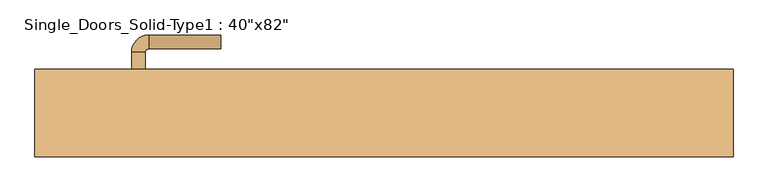
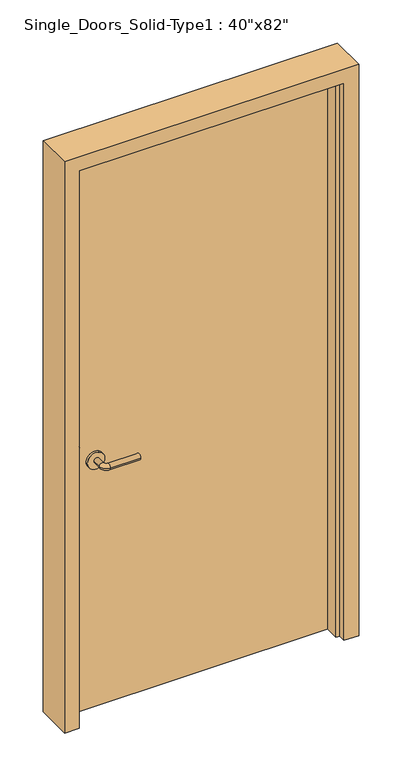
"""IFC4 building model written with IfcOpenShell, lengths in millimetres: door geometry."""

from ifc_helpers import new_model, si_unit, point, frame, frame_2d, origin, origin_with_axes, place, context, project, spatial, polyline, circle_curve, ellipse_curve, trimmed, segment, composite_curve, outline, extrude, faceted_brep, source, transform, mapped, element, save
from ifc_brep_helpers import plane_surface, cylinder_surface, revolved_surface, advanced_brep


def door_6cc3c6fc(model_context):
    return source(origin(), model_context, "Body", "SolidModel", [
        advanced_brep(
        [(-367.2, 4.7, 900.0), (-347.2, 4.7, 900.0), (-347.2, -25.3, 900.0), (-367.2, -25.3, 900.0), (-342.2, -30.3, 900.0), (-342.2, -50.3, 900.0), (-237.2, -50.3, 900.0), (-237.2, -30.3, 900.0)],
        [
            (0, 1, circle_curve(frame((-357.2, 4.7, 900.0), z_axis=(0.0, 1.0, 0.0), x_axis=(1.0, 0.0, 0.0)), 10.0)),
            (1, 0, circle_curve(frame((-357.2, 4.7, 900.0), z_axis=(0.0, 1.0, 0.0), x_axis=(1.0, 0.0, 0.0)), 10.0)),
            (1, 2),
            (2, 3, circle_curve(frame((-357.2, -25.3, 900.0), z_axis=(0.0, 1.0, 0.0), x_axis=(1.0, 0.0, 0.0)), 10.0)),
            (3, 0),
            (3, 2, circle_curve(frame((-357.2, -25.3, 900.0), z_axis=(0.0, 1.0, 0.0), x_axis=(1.0, 0.0, 0.0)), 10.0)),
            (4, 5, circle_curve(frame((-342.2, -40.3, 900.0), z_axis=(-1.0, 0.0, 0.0), x_axis=(0.0, 1.0, 0.0)), 10.0)),
            (5, 3, circle_curve(frame((-342.2, -25.3, 900.0), z_axis=(0.0, 0.0, -1.0), x_axis=(-1.0, 0.0, 0.0)), 25.0)),
            (2, 4, circle_curve(frame((-342.2, -25.3, 900.0), z_axis=(0.0, 0.0, 1.0), x_axis=(-1.0, 0.0, 0.0)), 5.0)),
            (5, 4, circle_curve(frame((-342.2, -40.3, 900.0), z_axis=(-1.0, 0.0, 0.0), x_axis=(0.0, 1.0, 0.0)), 10.0)),
            (6, 7, circle_curve(frame((-237.2, -40.3, 900.0), z_axis=(1.0, 0.0, 0.0), x_axis=(0.0, 1.0, 0.0)), 10.0)),
            (7, 6, circle_curve(frame((-237.2, -40.3, 900.0), z_axis=(1.0, 0.0, 0.0), x_axis=(0.0, 1.0, 0.0)), 10.0)),
            (4, 7),
            (6, 5),
        ],
        [
            plane_surface(frame((-357.2, 4.7, 900.0), z_axis=(0.0, 1.0, 0.0), x_axis=(0.0, 0.0, 1.0))),
            cylinder_surface(frame((-357.2, 4.7, 900.0), z_axis=(0.0, 1.0, 0.0), x_axis=(1.0, 0.0, 0.0)), 10.0),
            revolved_surface(trimmed(ellipse_curve(frame((-357.2, -25.3, 900.0), z_axis=(0.0, -1.0, 0.0), x_axis=(1.0, 0.0, 0.0)), 10.0, 10.0), [point((-367.2, -25.3, 900.0))], [point((-347.2, -25.3, 900.0))], True, "CARTESIAN"), (-342.2, -25.3, 900.0), (0.0, 0.0, -1.0)),
            revolved_surface(trimmed(ellipse_curve(frame((-357.2, -25.3, 900.0), z_axis=(0.0, -1.0, 0.0), x_axis=(1.0, 0.0, 0.0)), 10.0, 10.0), [point((-347.2, -25.3, 900.0))], [point((-367.2, -25.3, 900.0))], True, "CARTESIAN"), (-342.2, -25.3, 900.0), (0.0, 0.0, -1.0)),
            plane_surface(frame((-237.2, -40.3, 900.0), z_axis=(1.0, 0.0, 0.0), x_axis=(0.0, 0.0, 1.0))),
            cylinder_surface(frame((-342.2, -40.3, 900.0), z_axis=(-1.0, 0.0, 0.0), x_axis=(0.0, 1.0, 0.0)), 10.0),
        ],
        [
            (0, [[1, 2]]),
            (1, [[3, 4, 5, -2]]),
            (1, [[-5, 6, -3, -1]]),
            (2, [[7, 8, -4, 9]]),
            (3, [[10, -9, -6, -8]]),
            (4, [[11, 12]]),
            (5, [[13, -11, 14, -7]]),
            (5, [[-14, -12, -13, -10]]),
        ],
    ),
        extrude(outline(composite_curve([segment(trimmed(circle_curve(frame_2d((900.0, -359.7)), 30.0), [point((900.0, -389.7))], [point((900.0, -329.7))], False, "CARTESIAN"), True, "CONTINUOUS"), segment(trimmed(circle_curve(frame_2d((900.0, -359.7)), 30.0), [point((900.0, -329.7))], [point((900.0, -389.7))], False, "CARTESIAN"), True, "CONTINUOUS")], self_intersect=False)), frame((0.0, 4.7, 0.0), z_axis=(0.0, 1.0, 0.0), x_axis=(0.0, 0.0, 1.0)), (0.0, 0.0, 1.0), 8.0),
        advanced_brep(
        [(-367.2, 58.8, 900.0), (-347.2, 58.8, 900.0), (-367.2, 88.8, 900.0), (-347.2, 88.8, 900.0), (-342.2, 93.8, 900.0), (-342.2, 113.8, 900.0), (-237.2, 113.8, 900.0), (-237.2, 93.8, 900.0)],
        [
            (0, 1, circle_curve(frame((-357.2, 58.8, 900.0), z_axis=(0.0, -1.0, 0.0), x_axis=(1.0, 0.0, 0.0)), 10.0)),
            (1, 0, circle_curve(frame((-357.2, 58.8, 900.0), z_axis=(0.0, -1.0, 0.0), x_axis=(1.0, 0.0, 0.0)), 10.0)),
            (0, 2),
            (2, 3, circle_curve(frame((-357.2, 88.8, 900.0), z_axis=(0.0, -1.0, 0.0), x_axis=(1.0, 0.0, 0.0)), 10.0)),
            (3, 1),
            (3, 2, circle_curve(frame((-357.2, 88.8, 900.0), z_axis=(0.0, -1.0, 0.0), x_axis=(1.0, 0.0, 0.0)), 10.0)),
            (4, 3, circle_curve(frame((-342.2, 88.8, 900.0), z_axis=(0.0, 0.0, 1.0), x_axis=(-1.0, 0.0, 0.0)), 5.0)),
            (2, 5, circle_curve(frame((-342.2, 88.8, 900.0), z_axis=(0.0, 0.0, -1.0), x_axis=(-1.0, 0.0, 0.0)), 25.0)),
            (5, 4, circle_curve(frame((-342.2, 103.8, 900.0), z_axis=(-1.0, 0.0, 0.0), x_axis=(0.0, -1.0, 0.0)), 10.0)),
            (4, 5, circle_curve(frame((-342.2, 103.8, 900.0), z_axis=(-1.0, 0.0, 0.0), x_axis=(0.0, -1.0, 0.0)), 10.0)),
            (6, 7, circle_curve(frame((-237.2, 103.8, 900.0), z_axis=(1.0, 0.0, 0.0), x_axis=(0.0, -1.0, 0.0)), 10.0)),
            (7, 6, circle_curve(frame((-237.2, 103.8, 900.0), z_axis=(1.0, 0.0, 0.0), x_axis=(0.0, -1.0, 0.0)), 10.0)),
            (5, 6),
            (7, 4),
        ],
        [
            plane_surface(frame((-357.2, 58.8, 900.0), z_axis=(0.0, -1.0, 0.0), x_axis=(0.0, 0.0, 1.0))),
            cylinder_surface(frame((-357.2, 58.8, 900.0), z_axis=(0.0, -1.0, 0.0), x_axis=(1.0, 0.0, 0.0)), 10.0),
            revolved_surface(trimmed(ellipse_curve(frame((-357.2, 88.8, 900.0), z_axis=(0.0, -1.0, 0.0), x_axis=(1.0, 0.0, 0.0)), 10.0, 10.0), [point((-367.2, 88.8, 900.0))], [point((-347.2, 88.8, 900.0))], True, "CARTESIAN"), (-342.2, 88.8, 900.0), (0.0, 0.0, -1.0)),
            revolved_surface(trimmed(ellipse_curve(frame((-357.2, 88.8, 900.0), z_axis=(0.0, -1.0, 0.0), x_axis=(1.0, 0.0, 0.0)), 10.0, 10.0), [point((-347.2, 88.8, 900.0))], [point((-367.2, 88.8, 900.0))], True, "CARTESIAN"), (-342.2, 88.8, 900.0), (0.0, 0.0, -1.0)),
            plane_surface(frame((-237.2, 103.8, 900.0), z_axis=(1.0, 0.0, 0.0), x_axis=(0.0, 0.0, 1.0))),
            cylinder_surface(frame((-342.2, 103.8, 900.0), z_axis=(-1.0, 0.0, 0.0), x_axis=(0.0, -1.0, 0.0)), 10.0),
        ],
        [
            (0, [[1, 2]]),
            (1, [[-1, 3, 4, 5]]),
            (1, [[-2, -5, 6, -3]]),
            (2, [[7, -4, 8, 9]]),
            (3, [[-8, -6, -7, 10]]),
            (4, [[11, 12]]),
            (5, [[-9, 13, -12, 14]]),
            (5, [[-10, -14, -11, -13]]),
        ],
    ),
        extrude(outline(composite_curve([segment(trimmed(circle_curve(frame_2d((900.0, -359.7)), 30.0), [point((900.0, -389.7))], [point((900.0, -329.7))], False, "CARTESIAN"), True, "CONTINUOUS"), segment(trimmed(circle_curve(frame_2d((900.0, -359.7)), 30.0), [point((900.0, -329.7))], [point((900.0, -389.7))], False, "CARTESIAN"), True, "CONTINUOUS")], self_intersect=False)), frame((0.0, 50.8, 0.0), z_axis=(0.0, 1.0, 0.0), x_axis=(0.0, 0.0, 1.0)), (0.0, 0.0, 1.0), 8.0),
        faceted_brep([(-508.0, -63.5, 0.0), (-508.0, 63.5, 0.0), (-457.2, 63.5, 0.0), (-457.2, 12.7, 0.0), (-444.5, 12.7, 0.0), (-444.5, -38.1, 0.0), (-457.2, -38.1, 0.0), (-457.2, -63.5, 0.0), (-508.0, -63.5, 2082.8), (-508.0, 63.5, 2082.8), (508.0, 63.5, 2082.8), (508.0, 63.5, 0.0), (457.2, 63.5, 0.0), (457.2, 63.5, 2032.0), (-457.2, 63.5, 2032.0), (-457.2, 12.7, 2032.0), (457.2, 12.7, 2032.0), (457.2, 12.7, 0.0), (444.5, 12.7, 0.0), (444.5, 12.7, 2019.3), (-444.5, 12.7, 2019.3), (-444.5, -38.1, 2019.3), (444.5, -38.1, 2019.3), (444.5, -38.1, 0.0), (457.2, -38.1, 0.0), (457.2, -38.1, 2032.0), (-457.2, -38.1, 2032.0), (-457.2, -63.5, 2032.0), (457.2, -63.5, 2032.0), (457.2, -63.5, 0.0), (508.0, -63.5, 0.0), (508.0, -63.5, 2082.8)], [[[0, 1, 2, 3, 4, 5, 6, 7]], [[1, 0, 8, 9]], [[2, 1, 9, 10, 11, 12, 13, 14]], [[3, 2, 14, 15]], [[4, 3, 15, 16, 17, 18, 19, 20]], [[5, 4, 20, 21]], [[6, 5, 21, 22, 23, 24, 25, 26]], [[7, 6, 26, 27]], [[0, 7, 27, 28, 29, 30, 31, 8]], [[10, 31, 30, 11]], [[30, 29, 24, 23, 18, 17, 12, 11]], [[16, 13, 12, 17]], [[22, 19, 18, 23]], [[28, 25, 24, 29]], [[9, 8, 31, 10]], [[15, 14, 13, 16]], [[21, 20, 19, 22]], [[27, 26, 25, 28]]]),
        extrude(outline(polyline([(457.2, 12.7), (-457.2, 12.7), (-457.2, 50.8), (457.2, 50.8), (457.2, 12.7)])), origin_with_axes(), (0.0, 0.0, 1.0), 2032.0),
    ])


if __name__ == "__main__":
    model = new_model("IFC4")
    model_context = context("Model", 3, world=origin())
    ifc_project = project(units=[si_unit("LENGTHUNIT", "METRE", prefix="MILLI")], contexts=[model_context])
    site = spatial("IfcSite", under=ifc_project)
    building = spatial("IfcBuilding", under=site)
    placement = place(None, origin())
    door_shape = door_6cc3c6fc(model_context)
    element("IfcDoor", 1, ObjectType="Single_Doors_Solid-Type1 : 40\"x82\"", at=placement, inside=building, context=model_context, shape_type="MappedRepresentation", body=[
        mapped(door_shape, transform((0.0, 0.0, 0.0), x_axis=(1.0, 0.0, 0.0), y_axis=(0.0, 1.0, 0.0), z_axis=(0.0, 0.0, 1.0))),
    ])
    save(model, "model.ifc")
